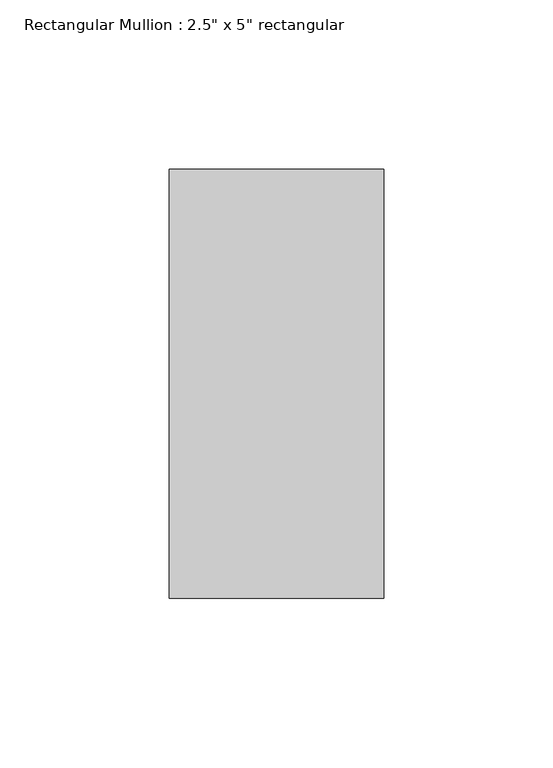
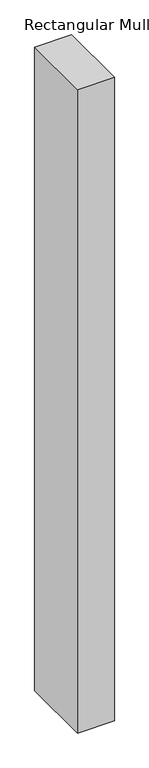
"""IFC4 building model written with IfcOpenShell, lengths in millimetres: member geometry."""

from ifc_helpers import new_model, si_unit, frame, origin, place, context, project, spatial, polyline, outline, extrude, source, transform, mapped, element, save


def member_abd32910(model_context):
    return source(origin(), model_context, "Body", "SweptSolid", [
        extrude(outline(polyline([(0.0, 63.5), (0.0, -63.5), (-63.5, -63.5), (-63.5, 63.5), (0.0, 63.5)])), frame((0.0, 0.0, -1168.25), z_axis=(0.0, 0.0, 1.0), x_axis=(1.0, 0.0, 0.0)), (0.0, 0.0, 1.0), 1168.25),
    ])


if __name__ == "__main__":
    model = new_model("IFC4")
    model_context = context("Model", 3, world=origin())
    ifc_project = project(units=[si_unit("LENGTHUNIT", "METRE", prefix="MILLI")], contexts=[model_context])
    site = spatial("IfcSite", under=ifc_project)
    building = spatial("IfcBuilding", under=site)
    placement = place(None, origin())
    member_shape = member_abd32910(model_context)
    element("IfcMember", 1, ObjectType="Rectangular Mullion : 2.5\" x 5\" rectangular", at=placement, inside=building, context=model_context, shape_type="MappedRepresentation", body=[
        mapped(member_shape, transform((0.0, 0.0, 0.0), x_axis=(1.0, 0.0, 0.0), y_axis=(0.0, 1.0, 0.0), z_axis=(0.0, 0.0, 1.0))),
    ])
    save(model, "model.ifc")
